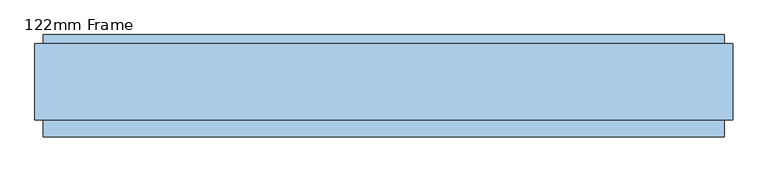
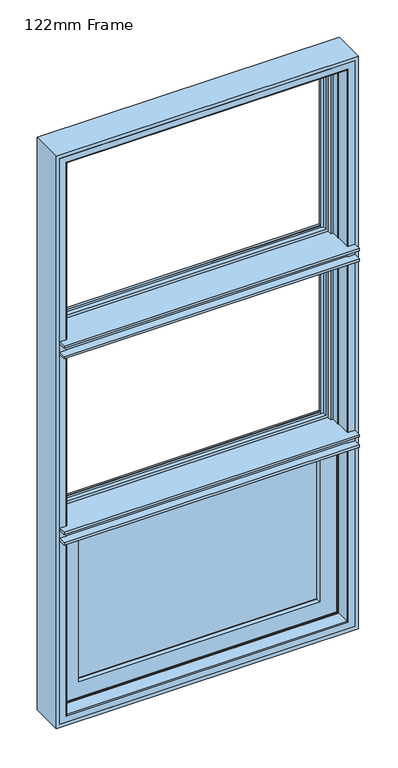
"""IFC4 building model written with IfcOpenShell, lengths in millimetres: window geometry, 122mm Frame."""

from ifc_helpers import new_model, si_unit, frame, origin, place, context, project, spatial, polyline, circle_curve, ellipse_curve, outline, extrude, source, transform, mapped, element, save
from ifc_brep_helpers import plane_surface, cylinder_surface, revolved_surface, advanced_brep


def window_122mm_frame_5d972c46(model_context):
    return source(origin(), model_context, "Body", "SolidModel", [
        extrude(outline(polyline([(-410.0, 141.0), (410.0, 141.0), (410.0, 93.0), (-410.0, 93.0), (-410.0, 141.0)])), frame((0.0, 0.0, 890.0), z_axis=(0.0, 0.0, 1.0), x_axis=(1.0, 0.0, 0.0)), (0.0, 0.0, 1.0), 518.6666667),
        advanced_brep(
        [(-432.3998467, 148.4070391, 1431.0665133), (-432.3998467, 153.0, 1431.0665133), (-432.3998467, 153.0, 867.6001533), (-432.3998467, 148.4070391, 867.6001533), (432.3998467, 153.0, 1431.0665133), (432.3998467, 153.0, 867.6001533), (-412.9631076, 153.0, 887.0368924), (412.9631076, 153.0, 887.0368924), (412.9631076, 153.0, 1411.6297743), (-412.9631076, 153.0, 1411.6297743), (432.3998467, 148.4070391, 867.6001533), (-437.6739389, 139.5531262, 1436.3406056), (-437.6739389, 139.5531262, 862.3260611), (437.6739389, 139.5531262, 862.3260611), (-439.5133955, 139.5531262, 1438.1800622), (439.5133955, 139.5531262, 1438.1800622), (439.5133955, 139.5531262, 860.4866045), (-439.5133955, 139.5531262, 860.4866045), (437.6739389, 139.5531262, 1436.3406056), (-439.5133955, 121.0, 1438.1800622), (-439.5133955, 121.0, 860.4866045), (439.5133955, 121.0, 860.4866045), (-449.5133955, 121.0, 1448.1800622), (449.5133955, 121.0, 1448.1800622), (449.5133955, 121.0, 850.4866045), (-449.5133955, 121.0, 850.4866045), (439.5133955, 121.0, 1438.1800622), (-449.5133955, 88.5, 1448.1800622), (-449.5133955, 88.5, 850.4866045), (449.5133955, 88.5, 850.4866045), (-460.2977, 88.5, 1458.9643666), (460.2976999, 88.5, 1458.9643666), (460.2976999, 88.5, 839.7023), (-460.2977, 88.5, 839.7023), (449.5133955, 88.5, 1448.1800622), (-460.2977, 83.5, 1458.9643666), (-460.2977, 83.5, 839.7023), (460.2976999, 83.5, 839.7023), (460.2976999, 83.5, 1458.9643666), (-453.5, 83.5, 1452.1666667), (453.5, 83.5, 1452.1666667), (453.5, 83.5, 846.5), (-453.5, 83.5, 846.5), (-453.5, 78.0, 1452.1666667), (-453.5, 78.0, 846.5), (453.5, 78.0, 846.5), (453.5, 78.0, 1452.1666667), (-398.3157816, 78.0, 1396.9824483), (398.3157816, 78.0, 1396.9824483), (398.3157816, 78.0, 901.6842184), (-398.3157816, 78.0, 901.6842184), (-396.0003067, 88.8934531, 1394.6669733), (-396.0003067, 88.8934531, 903.9996933), (396.0003067, 88.8934531, 903.9996933), (-396.0003067, 93.0, 1394.6669733), (-396.0003067, 93.0, 903.9996933), (396.0003067, 93.0, 903.9996933), (-410.0, 93.0, 1408.6666667), (410.0, 93.0, 1408.6666667), (410.0, 93.0, 890.0), (-410.0, 93.0, 890.0), (396.0003067, 93.0, 1394.6669733), (-410.0, 141.0, 1408.6666667), (-410.0, 141.0, 890.0), (410.0, 141.0, 890.0), (410.0, 141.0, 1408.6666667), (-395.5878486, 141.0, 1394.2545152), (395.5878486, 141.0, 1394.2545152), (395.5878486, 141.0, 904.4121514), (-395.5878486, 141.0, 904.4121514), (-399.2566168, 153.0, 1397.9232834), (-399.2566168, 153.0, 900.7433832), (399.2566168, 153.0, 900.7433832), (-406.0349044, 153.0, 1404.701571), (406.0349044, 153.0, 1404.701571), (406.0349044, 153.0, 893.9650956), (-406.0349044, 153.0, 893.9650956), (399.2566168, 153.0, 1397.9232834), (-407.3339425, 152.25, 1406.0006092), (-407.3339425, 152.25, 892.6660575), (407.3339425, 152.25, 892.6660575), (-411.6640695, 152.25, 1410.3307362), (-411.6640695, 152.25, 888.3359305), (411.6640695, 152.25, 888.3359305), (432.3998467, 148.4070391, 1431.0665133), (396.0003067, 88.8934531, 1394.6669733), (407.3339425, 152.25, 1406.0006092), (411.6640695, 152.25, 1410.3307362)],
        [
            (0, 1),
            (1, 2),
            (2, 3),
            (3, 0),
            (1, 4),
            (4, 5),
            (5, 2),
            (6, 7),
            (7, 8),
            (8, 9),
            (9, 6),
            (5, 10),
            (10, 3),
            (11, 0),
            (3, 12),
            (12, 11),
            (10, 13),
            (13, 12),
            (14, 15),
            (15, 16),
            (16, 17),
            (17, 14),
            (13, 18),
            (18, 11),
            (19, 14),
            (17, 20),
            (20, 19),
            (16, 21),
            (21, 20),
            (22, 23),
            (23, 24),
            (24, 25),
            (25, 22),
            (21, 26),
            (26, 19),
            (27, 22),
            (25, 28),
            (28, 27),
            (24, 29),
            (29, 28),
            (30, 31),
            (31, 32),
            (32, 33),
            (33, 30),
            (29, 34),
            (34, 27),
            (35, 30),
            (33, 36),
            (36, 35),
            (32, 37),
            (37, 36),
            (37, 38),
            (38, 35),
            (39, 40),
            (40, 41),
            (41, 42),
            (42, 39),
            (43, 39),
            (42, 44),
            (44, 43),
            (41, 45),
            (45, 44),
            (45, 46),
            (46, 43),
            (47, 48),
            (48, 49),
            (49, 50),
            (50, 47),
            (51, 47),
            (50, 52),
            (52, 51),
            (49, 53),
            (53, 52),
            (54, 51),
            (52, 55),
            (55, 54),
            (53, 56),
            (56, 55),
            (57, 58),
            (58, 59),
            (59, 60),
            (60, 57),
            (56, 61),
            (61, 54),
            (62, 57),
            (60, 63),
            (63, 62),
            (59, 64),
            (64, 63),
            (64, 65),
            (65, 62),
            (66, 67),
            (67, 68),
            (68, 69),
            (69, 66),
            (70, 66),
            (69, 71),
            (71, 70),
            (68, 72),
            (72, 71),
            (73, 74),
            (74, 75),
            (75, 76),
            (76, 73),
            (72, 77),
            (77, 70),
            (78, 73, ellipse_curve(frame((-406.0349044, 151.5, 1404.701571), z_axis=(-0.7071067811865475, 0.0, -0.7071067811865475), x_axis=(-0.7071067811865474, 0.0, 0.7071067811865476)), 2.1213203, 1.5)),
            (76, 79, ellipse_curve(frame((-406.0349044, 151.5, 893.9650956), z_axis=(-0.7071067811865475, 0.0, 0.7071067811865475), x_axis=(0.7071067811865474, 0.0, 0.7071067811865476)), 2.1213203, 1.5)),
            (79, 78),
            (75, 80, ellipse_curve(frame((406.0349044, 151.5, 893.9650956), z_axis=(-0.7071067811865475, 0.0, -0.7071067811865475), x_axis=(-0.7071067811865476, 0.0, 0.7071067811865474)), 2.1213203, 1.5)),
            (80, 79),
            (81, 78, ellipse_curve(frame((-409.499006, 153.5, 1408.1656727), z_axis=(0.7071067811865475, 0.0, 0.7071067811865475), x_axis=(0.7071067811865474, 0.0, -0.7071067811865476)), 3.5355339, 2.5)),
            (79, 82, ellipse_curve(frame((-409.499006, 153.5, 890.500994), z_axis=(0.7071067811865475, 0.0, -0.7071067811865475), x_axis=(-0.7071067811865474, 0.0, -0.7071067811865476)), 3.5355339, 2.5)),
            (82, 81),
            (80, 83, ellipse_curve(frame((409.499006, 153.5, 890.500994), z_axis=(0.7071067811865475, 0.0, 0.7071067811865475), x_axis=(0.7071067811865476, 0.0, -0.7071067811865474)), 3.5355339, 2.5)),
            (83, 82),
            (9, 81, ellipse_curve(frame((-412.9631076, 151.5, 1411.6297743), z_axis=(-0.7071067811865475, 0.0, -0.7071067811865475), x_axis=(-0.7071067811865474, 0.0, 0.7071067811865476)), 2.1213203, 1.5)),
            (82, 6, ellipse_curve(frame((-412.9631076, 151.5, 887.0368924), z_axis=(-0.7071067811865475, 0.0, 0.7071067811865475), x_axis=(0.7071067811865474, 0.0, 0.7071067811865476)), 2.1213203, 1.5)),
            (83, 7, ellipse_curve(frame((412.9631076, 151.5, 887.0368924), z_axis=(-0.7071067811865475, 0.0, -0.7071067811865475), x_axis=(-0.7071067811865476, 0.0, 0.7071067811865474)), 2.1213203, 1.5)),
            (4, 84),
            (84, 10),
            (84, 18),
            (15, 26),
            (23, 34),
            (31, 38),
            (40, 46),
            (48, 85),
            (85, 53),
            (85, 61),
            (58, 65),
            (67, 77),
            (74, 86, ellipse_curve(frame((406.0349044, 151.5, 1404.701571), z_axis=(0.7071067811865475, 0.0, -0.7071067811865475), x_axis=(-0.7071067811865474, 0.0, -0.7071067811865476)), 2.1213203, 1.5)),
            (86, 80),
            (86, 87, ellipse_curve(frame((409.499006, 153.5, 1408.1656727), z_axis=(-0.7071067811865475, 0.0, 0.7071067811865475), x_axis=(0.7071067811865474, 0.0, 0.7071067811865476)), 3.5355339, 2.5)),
            (87, 83),
            (87, 8, ellipse_curve(frame((412.9631076, 151.5, 1411.6297743), z_axis=(0.7071067811865475, 0.0, -0.7071067811865475), x_axis=(-0.7071067811865474, 0.0, -0.7071067811865476)), 2.1213203, 1.5)),
            (0, 84),
            (51, 85),
            (78, 86),
            (81, 87),
        ],
        [
            plane_surface(frame((-432.3998467, 153.0, 1431.0665133), z_axis=(-1.0, 0.0, 0.0), x_axis=(0.0, 0.0, -1.0))),
            plane_surface(frame((412.9631076, 153.0, 1411.6297743), z_axis=(0.0, 1.0, 0.0), x_axis=(-1.0, 0.0, 0.0))),
            plane_surface(frame((-432.3998467, 153.0, 867.6001533), z_axis=(0.0, 0.0, -1.0), x_axis=(1.0, 0.0, 0.0))),
            plane_surface(frame((-432.3998467, 148.4070391, 1431.0665133), z_axis=(-0.8591262587254928, 0.5117636872310675, 0.0), x_axis=(0.0, 0.0, -1.0))),
            plane_surface(frame((-432.3998467, 148.4070391, 867.6001533), z_axis=(0.0, 0.5117636872310675, -0.8591262587254928), x_axis=(1.0, 0.0, 0.0))),
            plane_surface(frame((437.6739389, 139.5531262, 1436.3406056), z_axis=(0.0, 1.0, 0.0), x_axis=(-1.0, 0.0, 0.0))),
            plane_surface(frame((-439.5133955, 139.5531262, 1438.1800622), z_axis=(-1.0, 0.0, 0.0), x_axis=(0.0, 0.0, -1.0))),
            plane_surface(frame((-439.5133955, 139.5531262, 860.4866045), z_axis=(0.0, 0.0, -1.0), x_axis=(1.0, 0.0, 0.0))),
            plane_surface(frame((439.5133955, 121.0, 1438.1800622), z_axis=(0.0, 1.0, 0.0), x_axis=(-1.0, 0.0, 0.0))),
            plane_surface(frame((-449.5133955, 121.0, 1448.1800622), z_axis=(-1.0, 0.0, 0.0), x_axis=(0.0, 0.0, -1.0))),
            plane_surface(frame((-449.5133955, 121.0, 850.4866045), z_axis=(0.0, 0.0, -1.0), x_axis=(1.0, 0.0, 0.0))),
            plane_surface(frame((449.5133955, 88.5, 1448.1800622), z_axis=(0.0, 1.0, 0.0), x_axis=(-1.0, 0.0, 0.0))),
            plane_surface(frame((-460.2977, 88.5, 1458.9643666), z_axis=(-1.0, 0.0, 0.0), x_axis=(0.0, 0.0, -1.0))),
            plane_surface(frame((-460.2977, 88.5, 839.7023), z_axis=(0.0, 0.0, -1.0), x_axis=(1.0, 0.0, 0.0))),
            plane_surface(frame((460.2976999, 83.5, 1458.9643666), z_axis=(0.0, -1.0, 0.0), x_axis=(-1.0, 0.0, 0.0))),
            plane_surface(frame((-453.5, 83.5, 1452.1666667), z_axis=(-1.0, 0.0, 0.0), x_axis=(0.0, 0.0, -1.0))),
            plane_surface(frame((-453.5, 83.5, 846.5), z_axis=(0.0, 0.0, -1.0), x_axis=(1.0, 0.0, 0.0))),
            plane_surface(frame((453.5, 78.0, 1452.1666667), z_axis=(0.0, -1.0, 0.0), x_axis=(-1.0, 0.0, 0.0))),
            plane_surface(frame((-398.3157816, 78.0, 1396.9824483), z_axis=(0.9781476007338071, -0.2079116908177525, 0.0), x_axis=(0.0, 0.0, -1.0))),
            plane_surface(frame((-398.3157816, 78.0, 901.6842184), z_axis=(0.0, -0.2079116908177525, 0.9781476007338071), x_axis=(1.0, 0.0, 0.0))),
            plane_surface(frame((-396.0003067, 88.8934531, 1394.6669733), z_axis=(1.0, 0.0, 0.0), x_axis=(0.0, 0.0, -1.0))),
            plane_surface(frame((-396.0003067, 88.8934531, 903.9996933), z_axis=(0.0, 0.0, 1.0), x_axis=(1.0, 0.0, 0.0))),
            plane_surface(frame((396.0003067, 93.0, 1394.6669733), z_axis=(0.0, 1.0, 0.0), x_axis=(-1.0, 0.0, 0.0))),
            plane_surface(frame((-410.0, 93.0, 1408.6666667), z_axis=(1.0, 0.0, 0.0), x_axis=(0.0, 0.0, -1.0))),
            plane_surface(frame((-410.0, 93.0, 890.0), z_axis=(0.0, 0.0, 1.0), x_axis=(1.0, 0.0, 0.0))),
            plane_surface(frame((410.0, 141.0, 1408.6666667), z_axis=(0.0, -1.0, 0.0), x_axis=(-1.0, 0.0, 0.0))),
            plane_surface(frame((-395.5878486, 141.0, 1394.2545152), z_axis=(0.9563047559629781, 0.2923717047229242, 0.0), x_axis=(0.0, 0.0, -1.0))),
            plane_surface(frame((-395.5878486, 141.0, 904.4121514), z_axis=(0.0, 0.2923717047229242, 0.9563047559629781), x_axis=(1.0, 0.0, 0.0))),
            plane_surface(frame((399.2566168, 153.0, 1397.9232834), z_axis=(0.0, 1.0, 0.0), x_axis=(-1.0, 0.0, 0.0))),
            cylinder_surface(frame((-406.0349044, 151.5, 1436.2666667), z_axis=(0.0, 0.0, 1.0), x_axis=(0.0, 1.0, 0.0)), 1.5),
            cylinder_surface(frame((-437.6, 151.5, 893.9650956), z_axis=(-1.0, 0.0, 0.0), x_axis=(0.0, 1.0, 0.0)), 1.5),
            revolved_surface(polyline([(-409.499006, 156.0, 888.000994004195), (-409.499006, 156.0, 1410.665672695805)]), (-409.499006, 153.5, 1436.2666667), (0.0, 0.0, -1.0)),
            revolved_surface(polyline([(411.99900599580496, 156.0, 890.500994), (-411.9990059958049, 156.0, 890.500994)]), (-437.6, 153.5, 890.500994), (1.0, 0.0, 0.0)),
            cylinder_surface(frame((-412.9631076, 151.5, 1436.2666667), z_axis=(0.0, 0.0, 1.0), x_axis=(0.0, 1.0, 0.0)), 1.5),
            cylinder_surface(frame((-437.6, 151.5, 887.0368924), z_axis=(-1.0, 0.0, 0.0), x_axis=(0.0, 1.0, 0.0)), 1.5),
            plane_surface(frame((432.3998467, 153.0, 867.6001533), z_axis=(1.0, 0.0, 0.0), x_axis=(0.0, 0.0, 1.0))),
            plane_surface(frame((432.3998467, 148.4070391, 867.6001533), z_axis=(0.8591262587254928, 0.5117636872310675, 0.0), x_axis=(0.0, 0.0, 1.0))),
            plane_surface(frame((439.5133955, 139.5531262, 860.4866045), z_axis=(1.0, 0.0, 0.0), x_axis=(0.0, 0.0, 1.0))),
            plane_surface(frame((449.5133955, 121.0, 850.4866045), z_axis=(1.0, 0.0, 0.0), x_axis=(0.0, 0.0, 1.0))),
            plane_surface(frame((460.2976999, 88.5, 839.7023), z_axis=(1.0, 0.0, 0.0), x_axis=(0.0, 0.0, 1.0))),
            plane_surface(frame((453.5, 83.5, 846.5), z_axis=(1.0, 0.0, 0.0), x_axis=(0.0, 0.0, 1.0))),
            plane_surface(frame((398.3157816, 78.0, 901.6842184), z_axis=(-0.9781476007338071, -0.2079116908177525, 0.0), x_axis=(0.0, 0.0, 1.0))),
            plane_surface(frame((396.0003067, 88.8934531, 903.9996933), z_axis=(-1.0, 0.0, 0.0), x_axis=(0.0, 0.0, 1.0))),
            plane_surface(frame((410.0, 93.0, 890.0), z_axis=(-1.0, 0.0, 0.0), x_axis=(0.0, 0.0, 1.0))),
            plane_surface(frame((395.5878486, 141.0, 904.4121514), z_axis=(-0.9563047559629781, 0.2923717047229242, 0.0), x_axis=(0.0, 0.0, 1.0))),
            cylinder_surface(frame((406.0349044, 151.5, 862.4), z_axis=(0.0, 0.0, -1.0), x_axis=(0.0, 1.0, 0.0)), 1.5),
            revolved_surface(polyline([(409.499006, 156.0, 1410.665672695805), (409.499006, 156.0, 888.000994004195)]), (409.499006, 153.5, 862.4), (0.0, 0.0, 1.0)),
            cylinder_surface(frame((412.9631076, 151.5, 862.4), z_axis=(0.0, 0.0, -1.0), x_axis=(0.0, 1.0, 0.0)), 1.5),
            plane_surface(frame((432.3998467, 153.0, 1431.0665133), z_axis=(0.0, 0.0, 1.0), x_axis=(-1.0, 0.0, 0.0))),
            plane_surface(frame((432.3998467, 148.4070391, 1431.0665133), z_axis=(0.0, 0.5117636872310675, 0.8591262587254928), x_axis=(-1.0, 0.0, 0.0))),
            plane_surface(frame((439.5133955, 139.5531262, 1438.1800622), z_axis=(0.0, 0.0, 1.0), x_axis=(-1.0, 0.0, 0.0))),
            plane_surface(frame((449.5133955, 121.0, 1448.1800622), z_axis=(0.0, 0.0, 1.0), x_axis=(-1.0, 0.0, 0.0))),
            plane_surface(frame((460.2976999, 88.5, 1458.9643666), z_axis=(0.0, 0.0, 1.0), x_axis=(-1.0, 0.0, 0.0))),
            plane_surface(frame((453.5, 83.5, 1452.1666667), z_axis=(0.0, 0.0, 1.0), x_axis=(-1.0, 0.0, 0.0))),
            plane_surface(frame((398.3157816, 78.0, 1396.9824483), z_axis=(0.0, -0.2079116908177525, -0.9781476007338071), x_axis=(-1.0, 0.0, 0.0))),
            plane_surface(frame((396.0003067, 88.8934531, 1394.6669733), z_axis=(0.0, 0.0, -1.0), x_axis=(-1.0, 0.0, 0.0))),
            plane_surface(frame((410.0, 93.0, 1408.6666667), z_axis=(0.0, 0.0, -1.0), x_axis=(-1.0, 0.0, 0.0))),
            plane_surface(frame((395.5878486, 141.0, 1394.2545152), z_axis=(0.0, 0.2923717047229242, -0.9563047559629781), x_axis=(-1.0, 0.0, 0.0))),
            cylinder_surface(frame((437.6, 151.5, 1404.701571), z_axis=(1.0, 0.0, 0.0), x_axis=(0.0, 1.0, 0.0)), 1.5),
            revolved_surface(polyline([(-411.99900599580496, 156.0, 1408.1656727), (411.9990059958049, 156.0, 1408.1656727)]), (437.6, 153.5, 1408.1656727), (-1.0, 0.0, 0.0)),
            cylinder_surface(frame((437.6, 151.5, 1411.6297743), z_axis=(1.0, 0.0, 0.0), x_axis=(0.0, 1.0, 0.0)), 1.5),
        ],
        [
            (0, [[1, 2, 3, 4]]),
            (1, [[5, 6, 7, -2], [8, 9, 10, 11]]),
            (2, [[-3, -7, 12, 13]]),
            (3, [[14, -4, 15, 16]]),
            (4, [[-15, -13, 17, 18]]),
            (5, [[19, 20, 21, 22], [-18, 23, 24, -16]]),
            (6, [[25, -22, 26, 27]]),
            (7, [[-26, -21, 28, 29]]),
            (8, [[30, 31, 32, 33], [-29, 34, 35, -27]]),
            (9, [[36, -33, 37, 38]]),
            (10, [[-37, -32, 39, 40]]),
            (11, [[41, 42, 43, 44], [-40, 45, 46, -38]]),
            (12, [[47, -44, 48, 49]]),
            (13, [[-48, -43, 50, 51]]),
            (14, [[-51, 52, 53, -49], [54, 55, 56, 57]]),
            (15, [[58, -57, 59, 60]]),
            (16, [[-59, -56, 61, 62]]),
            (17, [[-62, 63, 64, -60], [65, 66, 67, 68]]),
            (18, [[69, -68, 70, 71]]),
            (19, [[-70, -67, 72, 73]]),
            (20, [[74, -71, 75, 76]]),
            (21, [[-75, -73, 77, 78]]),
            (22, [[79, 80, 81, 82], [-78, 83, 84, -76]]),
            (23, [[85, -82, 86, 87]]),
            (24, [[-86, -81, 88, 89]]),
            (25, [[-89, 90, 91, -87], [92, 93, 94, 95]]),
            (26, [[96, -95, 97, 98]]),
            (27, [[-97, -94, 99, 100]]),
            (28, [[101, 102, 103, 104], [-100, 105, 106, -98]]),
            (29, [[107, -104, 108, 109]]),
            (30, [[-108, -103, 110, 111]]),
            (31, [[112, -109, 113, 114]]),
            (32, [[-113, -111, 115, 116]]),
            (33, [[117, -114, 118, -11]]),
            (34, [[-118, -116, 119, -8]]),
            (35, [[-12, -6, 120, 121]]),
            (36, [[-17, -121, 122, -23]]),
            (37, [[-28, -20, 123, -34]]),
            (38, [[-39, -31, 124, -45]]),
            (39, [[-50, -42, 125, -52]]),
            (40, [[-61, -55, 126, -63]]),
            (41, [[-72, -66, 127, 128]]),
            (42, [[-77, -128, 129, -83]]),
            (43, [[-88, -80, 130, -90]]),
            (44, [[-99, -93, 131, -105]]),
            (45, [[-110, -102, 132, 133]]),
            (46, [[-115, -133, 134, 135]]),
            (47, [[-119, -135, 136, -9]]),
            (48, [[-120, -5, -1, 137]]),
            (49, [[-122, -137, -14, -24]]),
            (50, [[-123, -19, -25, -35]]),
            (51, [[-124, -30, -36, -46]]),
            (52, [[-125, -41, -47, -53]]),
            (53, [[-126, -54, -58, -64]]),
            (54, [[-127, -65, -69, 138]]),
            (55, [[-129, -138, -74, -84]]),
            (56, [[-130, -79, -85, -91]]),
            (57, [[-131, -92, -96, -106]]),
            (58, [[-132, -101, -107, 139]]),
            (59, [[-134, -139, -112, 140]]),
            (60, [[-136, -140, -117, -10]]),
        ],
    ),
        advanced_brep(
        [(-464.0, 35.0, 836.0), (-464.0, 83.0, 836.0), (-464.0, 83.0, 1452.5666669), (-464.0, 35.0, 1452.5666669), (-464.0, 35.0, 1462.6666667), (-464.0, 35.0, 1460.6666667), (-464.0, 83.0, 1460.6666667), (-464.0, 83.0, 1462.6666667), (-464.0, 83.0, 2764.0), (-464.0, 35.0, 2764.0), (-464.0, 35.0, 2147.4333331), (-464.0, 83.0, 2147.4333331), (-464.0, 35.0, 1488.6666667), (-464.0, 35.0, 1486.6666667), (-464.0, 83.0, 1486.6666667), (-464.0, 83.0, 1488.6666667), (-464.0, 35.0, 1496.7666665), (-464.0, 83.0, 1496.7666665), (-464.0, 83.0, 2103.2333335), (-464.0, 35.0, 2103.2333335), (-464.0, 35.0, 2113.3333333), (-464.0, 35.0, 2111.3333333), (-464.0, 83.0, 2111.3333333), (-464.0, 83.0, 2113.3333333), (-464.0, 35.0, 2139.3333333), (-464.0, 35.0, 2137.3333333), (-464.0, 83.0, 2137.3333333), (-464.0, 83.0, 2139.3333333), (464.0, 35.0, 836.0), (464.0, 83.0, 836.0), (464.0, 83.0, 1452.5666669), (462.0, 83.0, 1452.5666669), (462.0, 83.0, 838.0), (-462.0, 83.0, 838.0), (-462.0, 83.0, 1452.5666669), (464.0, 83.0, 2764.0), (-462.0, 83.0, 2147.4333331), (-462.0, 83.0, 2762.0), (462.0, 83.0, 2762.0), (462.0, 83.0, 2147.4333331), (464.0, 83.0, 2147.4333331), (464.0, 83.0, 2111.3333333), (464.0, 83.0, 2113.3333333), (464.0, 83.0, 1460.6666667), (464.0, 83.0, 1462.6666667), (464.0, 83.0, 1486.6666667), (464.0, 83.0, 1488.6666667), (464.0, 83.0, 2137.3333333), (464.0, 83.0, 2139.3333333), (-462.0, 83.0, 1496.7666665), (-462.0, 83.0, 2103.2333335), (462.0, 83.0, 1496.7666665), (464.0, 83.0, 1496.7666665), (464.0, 83.0, 2103.2333335), (462.0, 83.0, 2103.2333335), (-467.0, 32.0, 833.0), (-467.0, 32.0, 1452.5666669), (-467.0, 32.0, 1462.6666667), (-467.0, 32.0, 1460.6666667), (-467.0, 32.0, 2767.0), (-467.0, 32.0, 2147.4333331), (-467.0, 32.0, 1488.6666667), (-467.0, 32.0, 1486.6666667), (-467.0, 32.0, 2113.3333333), (-467.0, 32.0, 2111.3333333), (-467.0, 32.0, 2139.3333333), (-467.0, 32.0, 2137.3333333), (-467.0, 32.0, 1496.7666665), (-467.0, 32.0, 2103.2333335), (-462.0, 111.4, 838.0), (-462.0, 111.4, 1452.5666669), (-462.0, 111.4, 2762.0), (-462.0, 111.4, 2147.4333331), (-462.0, 111.4, 1496.7666665), (-462.0, 111.4, 2103.2333335), (462.0, 111.4, 838.0), (462.0, 111.4, 1452.5666669), (453.9000002, 111.4, 1452.5666669), (453.9000002, 111.4, 846.0999998), (-453.9000002, 111.4, 846.0999998), (-453.9000002, 111.4, 1452.5666669), (462.0, 111.4, 2762.0), (-453.9000002, 111.4, 2147.4333331), (-453.9000002, 111.4, 2753.9000002), (453.9000002, 111.4, 2753.9000002), (453.9000002, 111.4, 2147.4333331), (462.0, 111.4, 2147.4333331), (-453.9000002, 111.4, 1496.7666665), (-453.9000002, 111.4, 2103.2333335), (453.9000002, 111.4, 1496.7666665), (462.0, 111.4, 1496.7666665), (462.0, 111.4, 2103.2333335), (453.9000002, 111.4, 2103.2333335), (-453.9000002, 126.0, 846.0999998), (-453.9000002, 126.0, 1452.5666669), (-453.9000002, 126.0, 1496.7666665), (-453.9000002, 126.0, 2103.2333335), (-453.9000002, 126.0, 2147.4333331), (-453.9000002, 126.0, 2753.9000002), (453.9000002, 126.0, 846.0999998), (453.9000002, 126.0, 1452.5666669), (446.7201943, 126.0, 853.2798057), (-446.7201943, 126.0, 853.2798057), (-446.7201943, 126.0, 1443.0666667), (446.7201943, 126.0, 1443.0666667), (453.9000002, 126.0, 2753.9000002), (453.9000002, 126.0, 2147.4333331), (446.7201943, 126.0, 2746.7201943), (446.7201943, 126.0, 2156.9333333), (-446.7201943, 126.0, 2156.9333333), (-446.7201943, 126.0, 2746.7201943), (453.9000002, 126.0, 1496.7666665), (453.9000002, 126.0, 2103.2333335), (446.7201943, 126.0, 1506.2666667), (-446.7201943, 126.0, 1506.2666667), (-446.7201943, 126.0, 2093.7333333), (446.7201943, 126.0, 2093.7333333), (-446.7201943, 140.2372876, 853.2798057), (-446.7201943, 140.2372876, 1443.0666667), (-446.7201943, 140.2372876, 2746.7201943), (-446.7201943, 140.2372876, 2156.9333333), (-446.7201943, 140.2372876, 1506.2666667), (-446.7201943, 140.2372876, 2093.7333333), (446.7201943, 140.2372876, 853.2798057), (446.7201943, 140.2372876, 1443.0666667), (438.0131086, 140.2372876, 1443.0666667), (438.0131086, 140.2372876, 861.9868914), (-438.0131086, 140.2372876, 861.9868914), (-438.0131086, 140.2372876, 1443.0666667), (446.7201943, 140.2372876, 2746.7201943), (-438.0131086, 140.2372876, 2156.9333333), (-438.0131086, 140.2372876, 2738.0131086), (438.0131086, 140.2372876, 2738.0131086), (438.0131086, 140.2372876, 2156.9333333), (446.7201943, 140.2372876, 2156.9333333), (-438.0131086, 140.2372876, 1506.2666667), (-438.0131086, 140.2372876, 2093.7333333), (438.0131086, 140.2372876, 1506.2666667), (446.7201943, 140.2372876, 1506.2666667), (446.7201943, 140.2372876, 2093.7333333), (438.0131086, 140.2372876, 2093.7333333), (-438.0131086, 143.3877115, 861.9868914), (-438.0131086, 143.3877115, 1436.6797752), (-438.0131086, 141.0, 1436.6797752), (-438.0131086, 141.0, 1443.0666667), (-438.0131086, 143.3877115, 2738.0131086), (-438.0131086, 141.0, 2156.9333333), (-438.0131086, 141.0, 2163.3202248), (-438.0131086, 143.3877115, 2163.3202248), (-438.0131086, 141.0, 1506.2666667), (-438.0131086, 141.0, 1512.6535581), (-438.0131086, 143.3877115, 1512.6535581), (-438.0131086, 143.3877115, 2087.3464419), (-438.0131086, 141.0, 2087.3464419), (-438.0131086, 141.0, 2093.7333333), (438.0131086, 143.3877115, 861.9868914), (-441.2576108, 154.0, 858.7423892), (-441.2576108, 154.0, 1439.9242774), (-441.2576108, 154.0, 2741.2576108), (-441.2576108, 154.0, 2160.0757226), (-441.2576108, 154.0, 1509.4090559), (-441.2576108, 154.0, 2090.5909441), (441.2576108, 154.0, 858.7423892), (488.0, 154.0, 2788.0), (488.0, 154.0, 812.0), (-488.0, 154.0, 812.0), (-488.0, 154.0, 2788.0), (441.2576108, 154.0, 1439.9242774), (441.2576108, 154.0, 1509.4090559), (441.2576108, 154.0, 2090.5909441), (441.2576108, 154.0, 2741.2576108), (441.2576108, 154.0, 2160.0757226), (-488.0, 32.0, 812.0), (488.0, 32.0, 812.0), (488.0, 32.0, 1452.5666669), (467.0, 32.0, 1452.5666669), (467.0, 32.0, 833.0), (-488.0, 32.0, 1452.5666669), (488.0, 32.0, 2788.0), (-488.0, 32.0, 2788.0), (-488.0, 32.0, 2147.4333331), (467.0, 32.0, 2767.0), (467.0, 32.0, 2147.4333331), (488.0, 32.0, 2147.4333331), (467.0, 32.0, 1462.6666667), (467.0, 32.0, 1460.6666667), (488.0, 32.0, 1460.6666667), (488.0, 32.0, 1488.6666667), (467.0, 32.0, 1488.6666667), (467.0, 32.0, 1486.6666667), (-488.0, 32.0, 1488.6666667), (-488.0, 32.0, 1460.6666667), (467.0, 32.0, 2113.3333333), (467.0, 32.0, 2111.3333333), (488.0, 32.0, 2111.3333333), (488.0, 32.0, 2139.3333333), (467.0, 32.0, 2139.3333333), (467.0, 32.0, 2137.3333333), (-488.0, 32.0, 2139.3333333), (-488.0, 32.0, 2111.3333333), (-488.0, 32.0, 1496.7666665), (-488.0, 32.0, 2103.2333335), (467.0, 32.0, 1496.7666665), (488.0, 32.0, 1496.7666665), (488.0, 32.0, 2103.2333335), (467.0, 32.0, 2103.2333335), (-488.0, 7.4, 1452.5666669), (-488.0, 7.4, 1460.6666667), (-488.0, 7.4, 1488.6666667), (-488.0, 7.4, 1496.7666665), (-488.0, 7.4, 2103.2333335), (-488.0, 7.4, 2111.3333333), (-488.0, 7.4, 2139.3333333), (-488.0, 7.4, 2147.4333331), (464.0, 35.0, 1452.5666669), (464.0, 35.0, 2764.0), (464.0, 35.0, 2147.4333331), (464.0, 35.0, 1460.6666667), (464.0, 35.0, 1462.6666667), (464.0, 35.0, 1486.6666667), (464.0, 35.0, 1488.6666667), (464.0, 35.0, 1496.7666665), (464.0, 35.0, 2103.2333335), (464.0, 35.0, 2111.3333333), (464.0, 35.0, 2113.3333333), (464.0, 35.0, 2137.3333333), (464.0, 35.0, 2139.3333333), (438.0131086, 141.0, 1443.0666667), (438.0131086, 141.0, 1436.6797752), (438.0131086, 143.3877115, 1436.6797752), (438.0131086, 143.3877115, 2738.0131086), (438.0131086, 143.3877115, 2163.3202248), (438.0131086, 141.0, 2163.3202248), (438.0131086, 141.0, 2156.9333333), (438.0131086, 141.0, 1506.2666667), (438.0131086, 141.0, 2093.7333333), (438.0131086, 141.0, 2087.3464419), (438.0131086, 143.3877115, 2087.3464419), (438.0131086, 143.3877115, 1512.6535581), (438.0131086, 141.0, 1512.6535581), (488.0, 7.4, 2147.4333331), (488.0, 7.4, 2139.3333333), (488.0, 7.4, 2111.3333333), (488.0, 7.4, 2103.2333335), (488.0, 7.4, 1496.7666665), (488.0, 7.4, 1488.6666667), (488.0, 7.4, 1460.6666667), (488.0, 7.4, 1452.5666669)],
        [
            (0, 1),
            (1, 2),
            (2, 3),
            (3, 0),
            (4, 5),
            (5, 6),
            (6, 7),
            (7, 4),
            (8, 9),
            (9, 10),
            (10, 11),
            (11, 8),
            (12, 13),
            (13, 14),
            (14, 15),
            (15, 12),
            (16, 17),
            (17, 18),
            (18, 19),
            (19, 16),
            (20, 21),
            (21, 22),
            (22, 23),
            (23, 20),
            (24, 25),
            (25, 26),
            (26, 27),
            (27, 24),
            (0, 28),
            (28, 29),
            (29, 1),
            (29, 30),
            (30, 31),
            (31, 32),
            (32, 33),
            (33, 34),
            (34, 2),
            (35, 8),
            (11, 36),
            (36, 37),
            (37, 38),
            (38, 39),
            (39, 40),
            (40, 35),
            (22, 41),
            (41, 42),
            (42, 23),
            (43, 44),
            (44, 7),
            (6, 43),
            (45, 46),
            (46, 15),
            (14, 45),
            (47, 48),
            (48, 27),
            (26, 47),
            (17, 49),
            (49, 50),
            (50, 18),
            (51, 52),
            (52, 53),
            (53, 54),
            (54, 51),
            (55, 0, ellipse_curve(frame((-467.0, 35.0, 833.0), z_axis=(-0.7071067811865475, 0.0, 0.7071067811865475), x_axis=(0.7071067811865474, 0.0, 0.7071067811865476)), 4.2426407, 3.0)),
            (3, 56, circle_curve(frame((-467.0, 35.0, 1452.5666669), z_axis=(0.0, 0.0, -1.0), x_axis=(0.0, 1.0, 0.0)), 3.0)),
            (56, 55),
            (4, 57, circle_curve(frame((-467.0, 35.0, 1462.6666667), z_axis=(0.0, 0.0, -1.0), x_axis=(0.0, 1.0, 0.0)), 3.0)),
            (57, 58),
            (58, 5, circle_curve(frame((-467.0, 35.0, 1460.6666667), z_axis=(0.0, 0.0, 1.0), x_axis=(0.0, 1.0, 0.0)), 3.0)),
            (9, 59, ellipse_curve(frame((-467.0, 35.0, 2767.0), z_axis=(-0.7071067811865475, 0.0, -0.7071067811865475), x_axis=(-0.7071067811865474, 0.0, 0.7071067811865476)), 4.2426407, 3.0)),
            (59, 60),
            (60, 10, circle_curve(frame((-467.0, 35.0, 2147.4333331), z_axis=(0.0, 0.0, 1.0), x_axis=(0.0, 1.0, 0.0)), 3.0)),
            (12, 61, circle_curve(frame((-467.0, 35.0, 1488.6666667), z_axis=(0.0, 0.0, -1.0), x_axis=(0.0, 1.0, 0.0)), 3.0)),
            (61, 62),
            (62, 13, circle_curve(frame((-467.0, 35.0, 1486.6666667), z_axis=(0.0, 0.0, 1.0), x_axis=(0.0, 1.0, 0.0)), 3.0)),
            (20, 63, circle_curve(frame((-467.0, 35.0, 2113.3333333), z_axis=(0.0, 0.0, -1.0), x_axis=(0.0, 1.0, 0.0)), 3.0)),
            (63, 64),
            (64, 21, circle_curve(frame((-467.0, 35.0, 2111.3333333), z_axis=(0.0, 0.0, 1.0), x_axis=(0.0, 1.0, 0.0)), 3.0)),
            (24, 65, circle_curve(frame((-467.0, 35.0, 2139.3333333), z_axis=(0.0, 0.0, -1.0), x_axis=(0.0, 1.0, 0.0)), 3.0)),
            (65, 66),
            (66, 25, circle_curve(frame((-467.0, 35.0, 2137.3333333), z_axis=(0.0, 0.0, 1.0), x_axis=(0.0, 1.0, 0.0)), 3.0)),
            (67, 16, circle_curve(frame((-467.0, 35.0, 1496.7666665), z_axis=(0.0, 0.0, 1.0), x_axis=(0.0, 1.0, 0.0)), 3.0)),
            (19, 68, circle_curve(frame((-467.0, 35.0, 2103.2333335), z_axis=(0.0, 0.0, -1.0), x_axis=(0.0, 1.0, 0.0)), 3.0)),
            (68, 67),
            (33, 69),
            (69, 70),
            (70, 34),
            (71, 37),
            (36, 72),
            (72, 71),
            (49, 73),
            (73, 74),
            (74, 50),
            (32, 75),
            (75, 69),
            (75, 76),
            (76, 77),
            (77, 78),
            (78, 79),
            (79, 80),
            (80, 70),
            (81, 71),
            (72, 82),
            (82, 83),
            (83, 84),
            (84, 85),
            (85, 86),
            (86, 81),
            (73, 87),
            (87, 88),
            (88, 74),
            (89, 90),
            (90, 91),
            (91, 92),
            (92, 89),
            (79, 93),
            (93, 94),
            (94, 80),
            (87, 95),
            (95, 96),
            (96, 88),
            (97, 98),
            (98, 83),
            (82, 97),
            (78, 99),
            (99, 93),
            (99, 100),
            (100, 94),
            (101, 102),
            (102, 103),
            (103, 104),
            (104, 101),
            (105, 98),
            (97, 106),
            (106, 105),
            (107, 108),
            (108, 109),
            (109, 110),
            (110, 107),
            (95, 111),
            (111, 112),
            (112, 96),
            (113, 114),
            (114, 115),
            (115, 116),
            (116, 113),
            (102, 117),
            (117, 118),
            (118, 103),
            (119, 110),
            (109, 120),
            (120, 119),
            (114, 121),
            (121, 122),
            (122, 115),
            (101, 123),
            (123, 117),
            (123, 124),
            (124, 125),
            (125, 126),
            (126, 127),
            (127, 128),
            (128, 118),
            (129, 119),
            (120, 130),
            (130, 131),
            (131, 132),
            (132, 133),
            (133, 134),
            (134, 129),
            (121, 135),
            (135, 136),
            (136, 122),
            (137, 138),
            (138, 139),
            (139, 140),
            (140, 137),
            (127, 141),
            (141, 142),
            (142, 143),
            (143, 144),
            (144, 128),
            (145, 131),
            (130, 146),
            (146, 147),
            (147, 148),
            (148, 145),
            (135, 149),
            (149, 150),
            (150, 151),
            (151, 152),
            (152, 153),
            (153, 154),
            (154, 136),
            (126, 155),
            (155, 141),
            (141, 156),
            (156, 157),
            (157, 142),
            (158, 145),
            (148, 159),
            (159, 158),
            (151, 160),
            (160, 161),
            (161, 152),
            (155, 162),
            (162, 156),
            (163, 164),
            (164, 165),
            (165, 166),
            (166, 163),
            (162, 167),
            (167, 157),
            (168, 169),
            (169, 161),
            (160, 168),
            (170, 158),
            (159, 171),
            (171, 170),
            (172, 173),
            (173, 174),
            (174, 175),
            (175, 176),
            (176, 55),
            (56, 177),
            (177, 172),
            (178, 179),
            (179, 180),
            (180, 60),
            (59, 181),
            (181, 182),
            (182, 183),
            (183, 178),
            (57, 184),
            (184, 185),
            (185, 186),
            (186, 187),
            (187, 188),
            (188, 189),
            (189, 62),
            (61, 190),
            (190, 191),
            (191, 58),
            (63, 192),
            (192, 193),
            (193, 194),
            (194, 195),
            (195, 196),
            (196, 197),
            (197, 66),
            (65, 198),
            (198, 199),
            (199, 64),
            (200, 67),
            (68, 201),
            (201, 200),
            (202, 203),
            (203, 204),
            (204, 205),
            (205, 202),
            (179, 166),
            (165, 172),
            (177, 206),
            (206, 207),
            (207, 191),
            (190, 208),
            (208, 209),
            (209, 200),
            (201, 210),
            (210, 211),
            (211, 199),
            (198, 212),
            (212, 213),
            (213, 180),
            (164, 173),
            (176, 28, ellipse_curve(frame((467.0, 35.0, 833.0), z_axis=(-0.7071067811865475, 0.0, -0.7071067811865475), x_axis=(-0.7071067811865476, 0.0, 0.7071067811865474)), 4.2426407, 3.0)),
            (28, 214),
            (214, 30),
            (215, 35),
            (40, 216),
            (216, 215),
            (217, 218),
            (218, 44),
            (43, 217),
            (219, 220),
            (220, 46),
            (45, 219),
            (52, 221),
            (221, 222),
            (222, 53),
            (223, 224),
            (224, 42),
            (41, 223),
            (225, 226),
            (226, 48),
            (47, 225),
            (31, 76),
            (38, 81),
            (86, 39),
            (90, 51),
            (54, 91),
            (77, 100),
            (84, 105),
            (106, 85),
            (111, 89),
            (92, 112),
            (104, 124),
            (107, 129),
            (134, 108),
            (138, 113),
            (116, 139),
            (125, 227),
            (227, 228),
            (228, 229),
            (229, 155),
            (132, 230),
            (230, 231),
            (231, 232),
            (232, 233),
            (233, 133),
            (234, 137),
            (140, 235),
            (235, 236),
            (236, 237),
            (237, 238),
            (238, 239),
            (239, 234),
            (229, 167),
            (230, 170),
            (171, 231),
            (168, 238),
            (237, 169),
            (163, 178),
            (183, 240),
            (240, 241),
            (241, 195),
            (194, 242),
            (242, 243),
            (243, 204),
            (203, 244),
            (244, 245),
            (245, 187),
            (186, 246),
            (246, 247),
            (247, 174),
            (175, 214, circle_curve(frame((467.0, 35.0, 1452.5666669), z_axis=(0.0, 0.0, -1.0), x_axis=(0.0, 1.0, 0.0)), 3.0)),
            (217, 185, circle_curve(frame((467.0, 35.0, 1460.6666667), z_axis=(0.0, 0.0, 1.0), x_axis=(0.0, 1.0, 0.0)), 3.0)),
            (184, 218, circle_curve(frame((467.0, 35.0, 1462.6666667), z_axis=(0.0, 0.0, -1.0), x_axis=(0.0, 1.0, 0.0)), 3.0)),
            (181, 215, ellipse_curve(frame((467.0, 35.0, 2767.0), z_axis=(0.7071067811865475, 0.0, -0.7071067811865475), x_axis=(-0.7071067811865474, 0.0, -0.7071067811865476)), 4.2426407, 3.0)),
            (216, 182, circle_curve(frame((467.0, 35.0, 2147.4333331), z_axis=(0.0, 0.0, 1.0), x_axis=(0.0, 1.0, 0.0)), 3.0)),
            (219, 189, circle_curve(frame((467.0, 35.0, 1486.6666667), z_axis=(0.0, 0.0, 1.0), x_axis=(0.0, 1.0, 0.0)), 3.0)),
            (188, 220, circle_curve(frame((467.0, 35.0, 1488.6666667), z_axis=(0.0, 0.0, -1.0), x_axis=(0.0, 1.0, 0.0)), 3.0)),
            (223, 193, circle_curve(frame((467.0, 35.0, 2111.3333333), z_axis=(0.0, 0.0, 1.0), x_axis=(0.0, 1.0, 0.0)), 3.0)),
            (192, 224, circle_curve(frame((467.0, 35.0, 2113.3333333), z_axis=(0.0, 0.0, -1.0), x_axis=(0.0, 1.0, 0.0)), 3.0)),
            (225, 197, circle_curve(frame((467.0, 35.0, 2137.3333333), z_axis=(0.0, 0.0, 1.0), x_axis=(0.0, 1.0, 0.0)), 3.0)),
            (196, 226, circle_curve(frame((467.0, 35.0, 2139.3333333), z_axis=(0.0, 0.0, -1.0), x_axis=(0.0, 1.0, 0.0)), 3.0)),
            (221, 202, circle_curve(frame((467.0, 35.0, 1496.7666665), z_axis=(0.0, 0.0, 1.0), x_axis=(0.0, 1.0, 0.0)), 3.0)),
            (205, 222, circle_curve(frame((467.0, 35.0, 2103.2333335), z_axis=(0.0, 0.0, -1.0), x_axis=(0.0, 1.0, 0.0)), 3.0)),
            (215, 9),
            (145, 230),
            (229, 142),
            (228, 143),
            (227, 144),
            (247, 206),
            (207, 246),
            (245, 208),
            (209, 244),
            (234, 149),
            (239, 150),
            (238, 151),
            (237, 152),
            (236, 153),
            (235, 154),
            (243, 210),
            (211, 242),
            (241, 212),
            (213, 240),
            (233, 146),
            (232, 147),
            (231, 148),
        ],
        [
            plane_surface(frame((-464.0, 35.0, 2764.0), z_axis=(1.0, 0.0, 0.0), x_axis=(0.0, 0.0, -1.0))),
            plane_surface(frame((-464.0, 35.0, 836.0), z_axis=(0.0, 0.0, 1.0), x_axis=(1.0, 0.0, 0.0))),
            plane_surface(frame((464.0, 83.0, 2764.0), z_axis=(0.0, -1.0, 0.0), x_axis=(-1.0, 0.0, 0.0))),
            cylinder_surface(frame((-467.0, 35.0, 2788.0), z_axis=(0.0, 0.0, 1.0), x_axis=(0.0, 1.0, 0.0)), 3.0),
            plane_surface(frame((-462.0, 83.0, 2762.0), z_axis=(1.0, 0.0, 0.0), x_axis=(0.0, 0.0, -1.0))),
            plane_surface(frame((-462.0, 83.0, 838.0), z_axis=(0.0, 0.0, 1.0), x_axis=(1.0, 0.0, 0.0))),
            plane_surface(frame((462.0, 111.4, 2762.0), z_axis=(0.0, -1.0, 0.0), x_axis=(-1.0, 0.0, 0.0))),
            plane_surface(frame((-453.9000002, 111.4, 2753.9000002), z_axis=(1.0, 0.0, 0.0), x_axis=(0.0, 0.0, -1.0))),
            plane_surface(frame((-453.9000002, 111.4, 846.0999998), z_axis=(0.0, 0.0, 1.0), x_axis=(1.0, 0.0, 0.0))),
            plane_surface(frame((453.9000002, 126.0, 2753.9000002), z_axis=(0.0, -1.0, 0.0), x_axis=(-1.0, 0.0, 0.0))),
            plane_surface(frame((-446.7201943, 126.0, 2746.7201943), z_axis=(1.0, 0.0, 0.0), x_axis=(0.0, 0.0, -1.0))),
            plane_surface(frame((-446.7201943, 126.0, 853.2798057), z_axis=(0.0, 0.0, 1.0), x_axis=(1.0, 0.0, 0.0))),
            plane_surface(frame((446.7201943, 140.2372876, 2746.7201943), z_axis=(0.0, -1.0, 0.0), x_axis=(-1.0, 0.0, 0.0))),
            plane_surface(frame((-438.0131086, 140.2372876, 2738.0131086), z_axis=(1.0, 0.0, 0.0), x_axis=(0.0, 0.0, -1.0))),
            plane_surface(frame((-438.0131086, 140.2372876, 861.9868914), z_axis=(0.0, 0.0, 1.0), x_axis=(1.0, 0.0, 0.0))),
            plane_surface(frame((-438.0131086, 143.3877115, 2738.0131086), z_axis=(0.9563047559629342, 0.2923717047230683, 0.0), x_axis=(0.0, 0.0, -1.0))),
            plane_surface(frame((-438.0131086, 143.3877115, 861.9868914), z_axis=(0.0, 0.2923717047230683, 0.9563047559629342), x_axis=(1.0, 0.0, 0.0))),
            plane_surface(frame((441.2576108, 154.0, 2741.2576108), z_axis=(0.0, 1.0, 0.0), x_axis=(-1.0, 0.0, 0.0))),
            plane_surface(frame((488.0, 32.0, 2788.0), z_axis=(0.0, -1.0, 0.0), x_axis=(-1.0, 0.0, 0.0))),
            plane_surface(frame((-488.0, 154.0, 2788.0), z_axis=(-1.0, 0.0, 0.0), x_axis=(0.0, 0.0, -1.0))),
            plane_surface(frame((-488.0, 154.0, 812.0), z_axis=(0.0, 0.0, -1.0), x_axis=(1.0, 0.0, 0.0))),
            cylinder_surface(frame((-488.0, 35.0, 833.0), z_axis=(-1.0, 0.0, 0.0), x_axis=(0.0, 1.0, 0.0)), 3.0),
            plane_surface(frame((464.0, 35.0, 836.0), z_axis=(-1.0, 0.0, 0.0), x_axis=(0.0, 0.0, 1.0))),
            plane_surface(frame((462.0, 83.0, 838.0), z_axis=(-1.0, 0.0, 0.0), x_axis=(0.0, 0.0, 1.0))),
            plane_surface(frame((453.9000002, 111.4, 846.0999998), z_axis=(-1.0, 0.0, 0.0), x_axis=(0.0, 0.0, 1.0))),
            plane_surface(frame((446.7201943, 126.0, 853.2798057), z_axis=(-1.0, 0.0, 0.0), x_axis=(0.0, 0.0, 1.0))),
            plane_surface(frame((438.0131086, 140.2372876, 861.9868914), z_axis=(-1.0, 0.0, 0.0), x_axis=(0.0, 0.0, 1.0))),
            plane_surface(frame((438.0131086, 143.3877115, 861.9868914), z_axis=(-0.9563047559629342, 0.2923717047230683, 0.0), x_axis=(0.0, 0.0, 1.0))),
            plane_surface(frame((488.0, 154.0, 812.0), z_axis=(1.0, 0.0, 0.0), x_axis=(0.0, 0.0, 1.0))),
            cylinder_surface(frame((467.0, 35.0, 812.0), z_axis=(0.0, 0.0, -1.0), x_axis=(0.0, 1.0, 0.0)), 3.0),
            plane_surface(frame((464.0, 35.0, 2764.0), z_axis=(0.0, 0.0, -1.0), x_axis=(-1.0, 0.0, 0.0))),
            plane_surface(frame((462.0, 83.0, 2762.0), z_axis=(0.0, 0.0, -1.0), x_axis=(-1.0, 0.0, 0.0))),
            plane_surface(frame((453.9000002, 111.4, 2753.9000002), z_axis=(0.0, 0.0, -1.0), x_axis=(-1.0, 0.0, 0.0))),
            plane_surface(frame((446.7201943, 126.0, 2746.7201943), z_axis=(0.0, 0.0, -1.0), x_axis=(-1.0, 0.0, 0.0))),
            plane_surface(frame((438.0131086, 140.2372876, 2738.0131086), z_axis=(0.0, 0.0, -1.0), x_axis=(-1.0, 0.0, 0.0))),
            plane_surface(frame((438.0131086, 143.3877115, 2738.0131086), z_axis=(0.0, 0.2923717047230683, -0.9563047559629342), x_axis=(-1.0, 0.0, 0.0))),
            plane_surface(frame((488.0, 154.0, 2788.0), z_axis=(0.0, 0.0, 1.0), x_axis=(-1.0, 0.0, 0.0))),
            cylinder_surface(frame((488.0, 35.0, 2767.0), z_axis=(1.0, 0.0, 0.0), x_axis=(0.0, 1.0, 0.0)), 3.0),
            plane_surface(frame((-488.0, 154.0, 1439.9242774), z_axis=(0.0, 0.2923717047190295, -0.956304755964169), x_axis=(1.0, 0.0, 0.0))),
            plane_surface(frame((-488.0, 143.3877115, 1436.6797752), z_axis=(0.0, 0.0, -1.0), x_axis=(1.0, 0.0, 0.0))),
            plane_surface(frame((-488.0, 141.0, 1436.6797752), z_axis=(0.0, -1.0, 0.0), x_axis=(1.0, 0.0, 0.0))),
            plane_surface(frame((-488.0, 141.0, 1443.0666667), z_axis=(0.0, 0.0, -1.0), x_axis=(1.0, 0.0, 0.0))),
            plane_surface(frame((-488.0, 126.0, 1452.5666669), z_axis=(0.0, 0.0, -1.0), x_axis=(1.0, 0.0, 0.0))),
            plane_surface(frame((-488.0, 7.4, 1460.6666667), z_axis=(0.0, 0.0, 1.0), x_axis=(1.0, 0.0, 0.0))),
            plane_surface(frame((-488.0, 83.0, 1462.6666667), z_axis=(0.0, 0.0, -1.0), x_axis=(1.0, 0.0, 0.0))),
            plane_surface(frame((-488.0, 32.0, 1486.6666667), z_axis=(0.0, 0.0, 1.0), x_axis=(1.0, 0.0, 0.0))),
            plane_surface(frame((-488.0, 83.0, 1488.6666667), z_axis=(0.0, 0.0, -1.0), x_axis=(1.0, 0.0, 0.0))),
            plane_surface(frame((-488.0, 7.4, 1496.7666665), z_axis=(0.0, 0.0, 1.0), x_axis=(1.0, 0.0, 0.0))),
            plane_surface(frame((-488.0, 126.0, 1506.2666667), z_axis=(0.0, 0.0, 1.0), x_axis=(1.0, 0.0, 0.0))),
            plane_surface(frame((-488.0, 141.0, 1506.2666667), z_axis=(0.0, -1.0, 0.0), x_axis=(1.0, 0.0, 0.0))),
            plane_surface(frame((-488.0, 141.0, 1512.6535581), z_axis=(0.0, 0.0, 1.0), x_axis=(1.0, 0.0, 0.0))),
            plane_surface(frame((-488.0, 143.3877115, 1512.6535581), z_axis=(0.0, 0.2923717047192263, 0.9563047559641088), x_axis=(1.0, 0.0, 0.0))),
            plane_surface(frame((-488.0, 154.0, 2090.5909441), z_axis=(0.0, 0.2923717047201744, -0.9563047559638189), x_axis=(1.0, 0.0, 0.0))),
            plane_surface(frame((-488.0, 143.3877115, 2087.3464419), z_axis=(0.0, 0.0, -1.0), x_axis=(1.0, 0.0, 0.0))),
            plane_surface(frame((-488.0, 141.0, 2087.3464419), z_axis=(0.0, -1.0, 0.0), x_axis=(1.0, 0.0, 0.0))),
            plane_surface(frame((-488.0, 141.0, 2093.7333333), z_axis=(0.0, 0.0, -1.0), x_axis=(1.0, 0.0, 0.0))),
            plane_surface(frame((-488.0, 126.0, 2103.2333335), z_axis=(0.0, 0.0, -1.0), x_axis=(1.0, 0.0, 0.0))),
            plane_surface(frame((-488.0, 7.4, 2111.3333333), z_axis=(0.0, 0.0, 1.0), x_axis=(1.0, 0.0, 0.0))),
            plane_surface(frame((-488.0, 83.0, 2113.3333333), z_axis=(0.0, 0.0, -1.0), x_axis=(1.0, 0.0, 0.0))),
            plane_surface(frame((-488.0, 32.0, 2137.3333333), z_axis=(0.0, 0.0, 1.0), x_axis=(1.0, 0.0, 0.0))),
            plane_surface(frame((-488.0, 83.0, 2139.3333333), z_axis=(0.0, 0.0, -1.0), x_axis=(1.0, 0.0, 0.0))),
            plane_surface(frame((-488.0, 7.4, 2147.4333331), z_axis=(0.0, 0.0, 1.0), x_axis=(1.0, 0.0, 0.0))),
            plane_surface(frame((-488.0, 126.0, 2156.9333333), z_axis=(0.0, 0.0, 1.0), x_axis=(1.0, 0.0, 0.0))),
            plane_surface(frame((-488.0, 141.0, 2156.9333333), z_axis=(0.0, -1.0, 0.0), x_axis=(1.0, 0.0, 0.0))),
            plane_surface(frame((-488.0, 141.0, 2163.3202248), z_axis=(0.0, 0.0, 1.0), x_axis=(1.0, 0.0, 0.0))),
            plane_surface(frame((-488.0, 143.3877115, 2163.3202248), z_axis=(0.0, 0.29237170472032403, 0.9563047559637732), x_axis=(1.0, 0.0, 0.0))),
            plane_surface(frame((-488.0, 7.4, 1452.5666669), z_axis=(0.0, -1.0, 0.0), x_axis=(1.0, 0.0, 0.0))),
            plane_surface(frame((-488.0, 7.4, 1488.6666667), z_axis=(0.0, -1.0, 0.0), x_axis=(1.0, 0.0, 0.0))),
            plane_surface(frame((-488.0, 7.4, 2103.2333335), z_axis=(0.0, -1.0, 0.0), x_axis=(1.0, 0.0, 0.0))),
            plane_surface(frame((-488.0, 7.4, 2139.3333333), z_axis=(0.0, -1.0, 0.0), x_axis=(1.0, 0.0, 0.0))),
        ],
        [
            (0, [[1, 2, 3, 4]]),
            (0, [[5, 6, 7, 8]]),
            (0, [[9, 10, 11, 12]]),
            (0, [[13, 14, 15, 16]]),
            (0, [[17, 18, 19, 20]]),
            (0, [[21, 22, 23, 24]]),
            (0, [[25, 26, 27, 28]]),
            (1, [[-1, 29, 30, 31]]),
            (2, [[-31, 32, 33, 34, 35, 36, 37, -2]]),
            (2, [[38, -12, 39, 40, 41, 42, 43, 44]]),
            (2, [[-23, 45, 46, 47]]),
            (2, [[48, 49, -7, 50]]),
            (2, [[51, 52, -15, 53]]),
            (2, [[54, 55, -27, 56]]),
            (2, [[57, 58, 59, -18]]),
            (2, [[60, 61, 62, 63]]),
            (3, [[64, -4, 65, 66]]),
            (3, [[-5, 67, 68, 69]]),
            (3, [[70, 71, 72, -10]]),
            (3, [[-13, 73, 74, 75]]),
            (3, [[-21, 76, 77, 78]]),
            (3, [[-25, 79, 80, 81]]),
            (3, [[82, -20, 83, 84]]),
            (4, [[85, 86, 87, -36]]),
            (4, [[88, -40, 89, 90]]),
            (4, [[91, 92, 93, -58]]),
            (5, [[-85, -35, 94, 95]]),
            (6, [[-95, 96, 97, 98, 99, 100, 101, -86]]),
            (6, [[102, -90, 103, 104, 105, 106, 107, 108]]),
            (6, [[109, 110, 111, -92]]),
            (6, [[112, 113, 114, 115]]),
            (7, [[116, 117, 118, -100]]),
            (7, [[119, 120, 121, -110]]),
            (7, [[122, 123, -104, 124]]),
            (8, [[-116, -99, 125, 126]]),
            (9, [[-126, 127, 128, -117], [129, 130, 131, 132]]),
            (9, [[133, -122, 134, 135], [136, 137, 138, 139]]),
            (9, [[140, 141, 142, -120], [143, 144, 145, 146]]),
            (10, [[147, 148, 149, -130]]),
            (10, [[150, -138, 151, 152]]),
            (10, [[153, 154, 155, -144]]),
            (11, [[-147, -129, 156, 157]]),
            (12, [[-157, 158, 159, 160, 161, 162, 163, -148]]),
            (12, [[164, -152, 165, 166, 167, 168, 169, 170]]),
            (12, [[171, 172, 173, -154]]),
            (12, [[174, 175, 176, 177]]),
            (13, [[178, 179, 180, 181, 182, -162]]),
            (13, [[183, -166, 184, 185, 186, 187]]),
            (13, [[188, 189, 190, 191, 192, 193, 194, -172]]),
            (14, [[-178, -161, 195, 196]]),
            (15, [[197, 198, 199, -179]]),
            (15, [[200, -187, 201, 202]]),
            (15, [[203, 204, 205, -191]]),
            (16, [[-197, -196, 206, 207]]),
            (17, [[208, 209, 210, 211], [-207, 212, 213, -198], [214, 215, -204, 216], [217, -202, 218, 219]]),
            (18, [[220, 221, 222, 223, 224, -66, 225, 226]]),
            (18, [[227, 228, 229, -71, 230, 231, 232, 233]]),
            (18, [[-68, 234, 235, 236, 237, 238, 239, 240, -74, 241, 242, 243]]),
            (18, [[-77, 244, 245, 246, 247, 248, 249, 250, -80, 251, 252, 253]]),
            (18, [[254, -84, 255, 256]]),
            (18, [[257, 258, 259, 260]]),
            (19, [[261, -210, 262, -226, 263, 264, 265, -242, 266, 267, 268, -256, 269, 270, 271, -252, 272, 273, 274, -228]]),
            (20, [[-262, -209, 275, -220]]),
            (21, [[-29, -64, -224, 276]]),
            (22, [[-30, 277, 278, -32]]),
            (22, [[279, -44, 280, 281]]),
            (22, [[282, 283, -48, 284]]),
            (22, [[285, 286, -51, 287]]),
            (22, [[288, 289, 290, -61]]),
            (22, [[291, 292, -46, 293]]),
            (22, [[294, 295, -54, 296]]),
            (23, [[-94, -34, 297, -96]]),
            (23, [[298, -108, 299, -42]]),
            (23, [[300, -63, 301, -113]]),
            (24, [[-125, -98, 302, -127]]),
            (24, [[303, -135, 304, -106]]),
            (24, [[-141, 305, -115, 306]]),
            (25, [[-156, -132, 307, -158]]),
            (25, [[308, -170, 309, -136]]),
            (25, [[310, -146, 311, -175]]),
            (26, [[-195, -160, 312, 313, 314, 315]]),
            (26, [[316, 317, 318, 319, 320, -168]]),
            (26, [[321, -177, 322, 323, 324, 325, 326, 327]]),
            (27, [[-206, -315, 328, -212]]),
            (27, [[329, -219, 330, -317]]),
            (27, [[331, -325, 332, -214]]),
            (28, [[-275, -208, 333, -233, 334, 335, 336, -247, 337, 338, 339, -258, 340, 341, 342, -237, 343, 344, 345, -221]]),
            (29, [[-276, -223, 346, -277]]),
            (29, [[-282, 347, -235, 348]]),
            (29, [[349, -281, 350, -231]]),
            (29, [[-285, 351, -239, 352]]),
            (29, [[-291, 353, -245, 354]]),
            (29, [[-294, 355, -249, 356]]),
            (29, [[357, -260, 358, -289]]),
            (30, [[-9, -38, -279, 359]]),
            (31, [[-88, -102, -298, -41]]),
            (32, [[-123, -133, -303, -105]]),
            (33, [[-150, -164, -308, -139]]),
            (34, [[-183, 360, -316, -167]]),
            (35, [[-200, -217, -329, -360]]),
            (36, [[-261, -227, -333, -211]]),
            (37, [[-359, -349, -230, -70]]),
            (38, [[361, -199, -213, -328]]),
            (39, [[-361, -314, 362, -180]]),
            (40, [[-362, -313, 363, -181]]),
            (41, [[-131, -149, -163, -182, -363, -312, -159, -307]]),
            (42, [[364, -263, -225, -65, -3, -37, -87, -101, -118, -128, -302, -97, -297, -33, -278, -346, -222, -345]]),
            (43, [[365, -343, -236, -347, -284, -50, -6, -69, -243, -265]]),
            (44, [[-234, -67, -8, -49, -283, -348]]),
            (45, [[-240, -351, -287, -53, -14, -75]]),
            (46, [[366, -266, -241, -73, -16, -52, -286, -352, -238, -342]]),
            (47, [[367, -340, -257, -357, -288, -60, -300, -112, -305, -140, -119, -109, -91, -57, -17, -82, -254, -268]]),
            (48, [[-143, -310, -174, -321, 368, -188, -171, -153]]),
            (49, [[-368, -327, 369, -189]]),
            (50, [[370, -190, -369, -326]]),
            (51, [[-370, -331, -216, -203]]),
            (52, [[371, -205, -215, -332]]),
            (53, [[-371, -324, 372, -192]]),
            (54, [[-372, -323, 373, -193]]),
            (55, [[-145, -155, -173, -194, -373, -322, -176, -311]]),
            (56, [[374, -269, -255, -83, -19, -59, -93, -111, -121, -142, -306, -114, -301, -62, -290, -358, -259, -339]]),
            (57, [[375, -337, -246, -353, -293, -45, -22, -78, -253, -271]]),
            (58, [[-47, -292, -354, -244, -76, -24]]),
            (59, [[-56, -26, -81, -250, -355, -296]]),
            (60, [[376, -272, -251, -79, -28, -55, -295, -356, -248, -336]]),
            (61, [[377, -334, -232, -350, -280, -43, -299, -107, -304, -134, -124, -103, -89, -39, -11, -72, -229, -274]]),
            (62, [[-137, -309, -169, -320, 378, -184, -165, -151]]),
            (63, [[-378, -319, 379, -185]]),
            (64, [[380, -186, -379, -318]]),
            (65, [[-380, -330, -218, -201]]),
            (66, [[-264, -364, -344, -365]]),
            (67, [[-267, -366, -341, -367]]),
            (68, [[-270, -374, -338, -375]]),
            (69, [[-273, -376, -335, -377]]),
        ],
    ),
        extrude(outline(polyline([(2800.0, -500.0), (800.0, -500.0), (800.0, 500.0), (2800.0, 500.0), (2800.0, -500.0)]), holes=[polyline([(2788.0, 488.0), (812.0, 488.0), (812.0, -488.0), (2788.0, -488.0), (2788.0, 488.0)])]), frame((0.0, 32.0, 0.0), z_axis=(0.0, 1.0, 0.0), x_axis=(0.0, 0.0, 1.0)), (0.0, 0.0, 1.0), 109.0),
    ])


if __name__ == "__main__":
    model = new_model("IFC4")
    model_context = context("Model", 3, world=origin())
    ifc_project = project(units=[si_unit("LENGTHUNIT", "METRE", prefix="MILLI")], contexts=[model_context])
    site = spatial("IfcSite", under=ifc_project)
    building = spatial("IfcBuilding", under=site)
    placement = place(None, origin())
    window_122mm_frame_shape = window_122mm_frame_5d972c46(model_context)
    element("IfcWindow", 1, ObjectType="122mm Frame", at=placement, inside=building, context=model_context, shape_type="MappedRepresentation", body=[
        mapped(window_122mm_frame_shape, transform((0.0, 0.0, 0.0), x_axis=(1.0, 0.0, 0.0), y_axis=(0.0, 1.0, 0.0), z_axis=(0.0, 0.0, 1.0))),
    ])
    save(model, "model.ifc")
